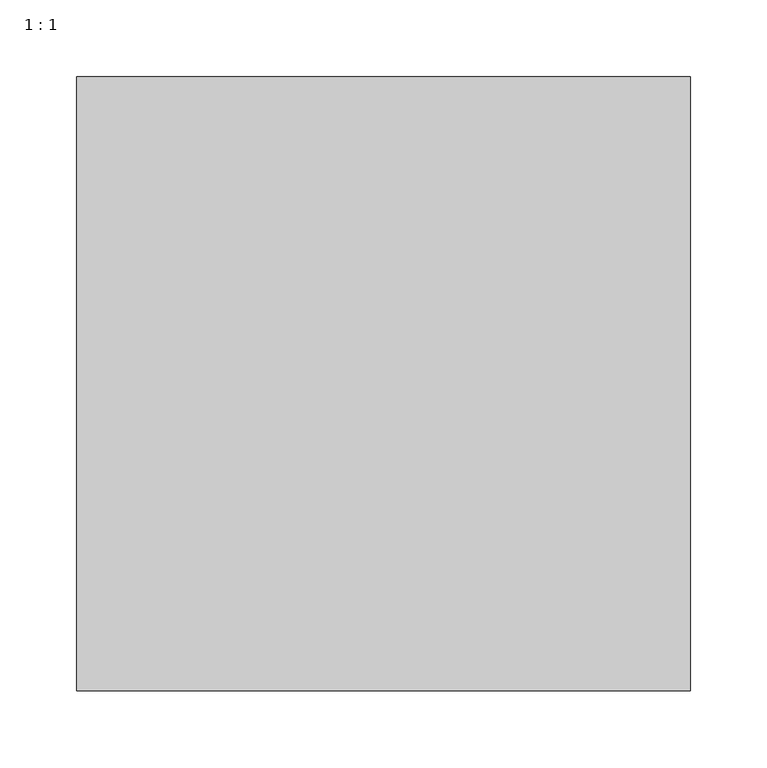
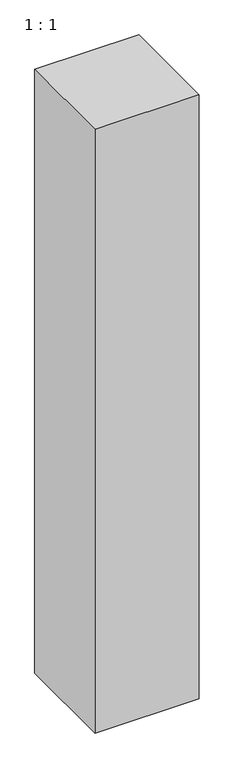
"""IFC4 building model written with IfcOpenShell, lengths in millimetres: column geometry, 1 : 1."""

import ifcopenshell
import ifcopenshell.guid

model = None  # the IFC model being written
_history = None  # IfcOwnerHistory: only IFC2X3 demands one
_inside = {}  # id of a spatial element -> (the spatial element, [elements in it])
_under = {}  # id of a project, library or spatial element -> (it, [spatial elements below it])
_declared = {}  # id of a project -> (the project, [libraries it declares])
_typed = {}  # id of a type object -> (the type object, [elements of that type])
_made_of = {}  # id of a material, layer set ... -> (it, [elements and type objects made of it])


def new_model(schema):
    """Start an empty IFC model of exactly this schema.

    Asked for "IFC4X3", IfcOpenShell would pick the latest addendum, in which some entities
    have other attributes; the version numbers below select the first issue.
    IFC2X3 requires an IfcOwnerHistory on every rooted entity: one is made here for all.
    """
    global model, _history
    if schema == "IFC4X3":
        model = ifcopenshell.file(schema_version=(4, 3, 0, 0))
    else:
        model = ifcopenshell.file(schema=schema)
    _inside.clear()
    _under.clear()
    _declared.clear()
    _typed.clear()
    _made_of.clear()
    _history = None
    if model.schema == "IFC2X3":
        org = make("IfcOrganization", Name="unknown")
        user = make(
            "IfcPersonAndOrganization",
            ThePerson=make("IfcPerson", FamilyName="unknown"),
            TheOrganization=org,
        )
        app = make(
            "IfcApplication",
            ApplicationDeveloper=org,
            Version="unknown",
            ApplicationFullName="unknown",
            ApplicationIdentifier="unknown",
        )
        _history = make(
            "IfcOwnerHistory",
            OwningUser=user,
            OwningApplication=app,
            ChangeAction="ADDED",
            CreationDate=0,
        )
    return model


def make(cls, **values):
    """One entity of the class cls with the attributes given. An attribute that is None is left unset."""
    return model.create_entity(
        cls, **{name: value for name, value in values.items() if value is not None}
    )


def rooted(cls, **values):
    """An entity with a GlobalId (a new one), such as an element, a storey or a relation."""
    return make(cls, GlobalId=ifcopenshell.guid.new(), OwnerHistory=_history, **values)


def si_unit(unit_type, name, prefix=None):
    """IfcSIUnit, for example si_unit("LENGTHUNIT", "METRE", prefix="MILLI")."""
    return make("IfcSIUnit", UnitType=unit_type, Prefix=prefix, Name=name)


def assignment(units):
    """IfcUnitAssignment: the units of a project."""
    return None if units is None else make("IfcUnitAssignment", Units=units)


def point(xyz):
    """IfcCartesianPoint."""
    return None if xyz is None else make("IfcCartesianPoint", Coordinates=xyz)


def direction(xyz):
    """IfcDirection."""
    return None if xyz is None else make("IfcDirection", DirectionRatios=xyz)


def frame(location, z_axis=None, x_axis=None):
    """IfcAxis2Placement3D, a coordinate frame: its origin and axes. An axis left out is left unset."""
    return make(
        "IfcAxis2Placement3D",
        Location=point(location),
        Axis=direction(z_axis),
        RefDirection=direction(x_axis),
    )


def origin():
    """The frame at (0, 0, 0) with its axes left unset."""
    return frame((0.0, 0.0, 0.0))


def place(relative_to, where):
    """IfcLocalPlacement: puts the frame where relative to a parent placement (None: the world)."""
    return make(
        "IfcLocalPlacement", PlacementRelTo=relative_to, RelativePlacement=where
    )


def context(
    kind, dimensions, precision=None, world=None, true_north=None, identifier=None
):
    """IfcGeometricRepresentationContext, for example the 3D "Model" context."""
    return make(
        "IfcGeometricRepresentationContext",
        ContextIdentifier=identifier,
        ContextType=kind,
        CoordinateSpaceDimension=dimensions,
        Precision=precision,
        WorldCoordinateSystem=world,
        TrueNorth=true_north,
    )


def project(units=None, contexts=None):
    """IfcProject with its units and contexts."""
    return rooted(
        "IfcProject",
        Name="project",
        RepresentationContexts=contexts,
        UnitsInContext=assignment(units),
    )


def spatial(cls, under=None, at=None, **own):
    """A site, building, storey or space (cls), placed at a placement, below another one or the project."""
    s = rooted(cls, ObjectPlacement=at, **own)
    if under is not None:
        _under.setdefault(under.id(), (under, []))[1].append(s)
    return s


def polyline(points):
    """IfcPolyline through the points."""
    return make("IfcPolyline", Points=[point(p) for p in points])


def outline(outer, holes=None, kind="AREA"):
    """IfcArbitraryClosedProfileDef: a profile drawn as a closed curve; with holes, ...WithVoids."""
    if holes is None:
        return make("IfcArbitraryClosedProfileDef", ProfileType=kind, OuterCurve=outer)
    return make(
        "IfcArbitraryProfileDefWithVoids",
        ProfileType=kind,
        OuterCurve=outer,
        InnerCurves=holes,
    )


def extrude(swept, where, along, depth):
    """IfcExtrudedAreaSolid: the profile swept, set in the frame where, extruded along a direction by depth."""
    return make(
        "IfcExtrudedAreaSolid",
        SweptArea=swept,
        Position=where,
        ExtrudedDirection=direction(along),
        Depth=depth,
    )


def shape(context_of_items, identifier, shape_type, items):
    """IfcShapeRepresentation: the items that make up one representation, for example the "Body"."""
    return make(
        "IfcShapeRepresentation",
        ContextOfItems=context_of_items,
        RepresentationIdentifier=identifier,
        RepresentationType=shape_type,
        Items=items,
    )


def source(mapping_origin, context_of_items, identifier, shape_type, items):
    """IfcRepresentationMap: a shape defined once, which mapped items show again and again."""
    return make(
        "IfcRepresentationMap",
        MappingOrigin=mapping_origin,
        MappedRepresentation=shape(context_of_items, identifier, shape_type, items),
    )


def transform(
    local_origin,
    x_axis=None,
    y_axis=None,
    z_axis=None,
    scale=None,
    scale2=None,
    scale3=None,
    uniform=True,
):
    """IfcCartesianTransformationOperator3D, or its non-uniform kind. x_axis, y_axis, z_axis: its Axis1, 2, 3."""
    if uniform:
        return make(
            "IfcCartesianTransformationOperator3D",
            Axis1=direction(x_axis),
            Axis2=direction(y_axis),
            LocalOrigin=point(local_origin),
            Scale=scale,
            Axis3=direction(z_axis),
        )
    return make(
        "IfcCartesianTransformationOperator3DnonUniform",
        Axis1=direction(x_axis),
        Axis2=direction(y_axis),
        LocalOrigin=point(local_origin),
        Scale=scale,
        Axis3=direction(z_axis),
        Scale2=scale2,
        Scale3=scale3,
    )


def mapped(mapping_source, mapping_target):
    """IfcMappedItem: shows the shape of a source again, moved by a transform."""
    return make(
        "IfcMappedItem", MappingSource=mapping_source, MappingTarget=mapping_target
    )


def made_of(thing, what):
    """Note that an element or type object is made of a material, layer set ...; save() writes the relation."""
    if what is not None:
        _made_of.setdefault(what.id(), (what, []))[1].append(thing)
    return thing


def element(
    cls,
    number,
    at=None,
    inside=None,
    cuts=None,
    type_object=None,
    material=None,
    context=None,
    identifier="Body",
    shape_type=None,
    held_by="IfcProductDefinitionShape",
    body=None,
    shapes=None,
    **own,
):
    """One element of the class cls, such as IfcWall. Its Tag is "e" and its number.

    at: its placement. inside: the storey or other place that contains it. cuts: it is an
    opening in that element (IfcRelVoidsElement). A single representation is given by context,
    identifier, shape_type and body (its items); several are given by shapes. held_by: the class
    of the entity that holds the representations. save() writes the other relations.
    """
    e = rooted(cls, Tag="e%d" % number, ObjectPlacement=at, **own)
    if body is not None:
        shapes = [shape(context, identifier, shape_type, body)]
    if shapes is not None:
        e.Representation = make(held_by, Representations=shapes)
    if inside is not None:
        _inside.setdefault(inside.id(), (inside, []))[1].append(e)
    if cuts is not None:
        rooted(
            "IfcRelVoidsElement", RelatingBuildingElement=cuts, RelatedOpeningElement=e
        )
    if type_object is not None:
        _typed.setdefault(type_object.id(), (type_object, []))[1].append(e)
    return made_of(e, material)


def aggregate(whole, parts):
    """IfcRelAggregates: a whole, such as a stair, and the parts it consists of."""
    return rooted("IfcRelAggregates", RelatingObject=whole, RelatedObjects=parts)


def save(model, path):
    """Write the relations noted so far, then the file.

    IfcRelAggregates (storeys below a building ...), IfcRelContainedInSpatialStructure (elements
    in a storey), IfcRelDefinesByType, IfcRelAssociatesMaterial and IfcRelDeclares: one each for
    every whole, place, type object, material and project.
    """
    for whole, parts in _under.values():
        aggregate(whole, parts)
    for where, things in _inside.values():
        rooted(
            "IfcRelContainedInSpatialStructure",
            RelatedElements=things,
            RelatingStructure=where,
        )
    for kind, things in _typed.values():
        rooted("IfcRelDefinesByType", RelatedObjects=things, RelatingType=kind)
    for what, things in _made_of.values():
        rooted("IfcRelAssociatesMaterial", RelatedObjects=things, RelatingMaterial=what)
    for by, libraries in _declared.values():
        rooted("IfcRelDeclares", RelatingContext=by, RelatedDefinitions=libraries)
    model.write(path)


def column_1_1_5731868b(model_context):
    return source(origin(), model_context, "Body", "SweptSolid", [
        extrude(outline(polyline([(200.0, 200.0), (200.0, -200.0), (-200.0, -200.0), (-200.0, 200.0), (200.0, 200.0)])), frame((0.0, 0.0, 3490.0), z_axis=(0.0, 0.0, 1.0), x_axis=(1.0, 0.0, 0.0)), (0.0, 0.0, 1.0), 2450.0),
    ])


if __name__ == "__main__":
    model = new_model("IFC4")
    model_context = context("Model", 3, world=origin())
    ifc_project = project(units=[si_unit("LENGTHUNIT", "METRE", prefix="MILLI")], contexts=[model_context])
    site = spatial("IfcSite", under=ifc_project)
    building = spatial("IfcBuilding", under=site)
    placement = place(None, origin())
    column_1_1_shape = column_1_1_5731868b(model_context)
    element("IfcColumn", 1, ObjectType="1 : 1", at=placement, inside=building, context=model_context, shape_type="MappedRepresentation", body=[
        mapped(column_1_1_shape, transform((0.0, 0.0, 0.0), x_axis=(1.0, 0.0, 0.0), y_axis=(0.0, 1.0, 0.0), z_axis=(0.0, 0.0, 1.0))),
    ])
    save(model, "model.ifc")
